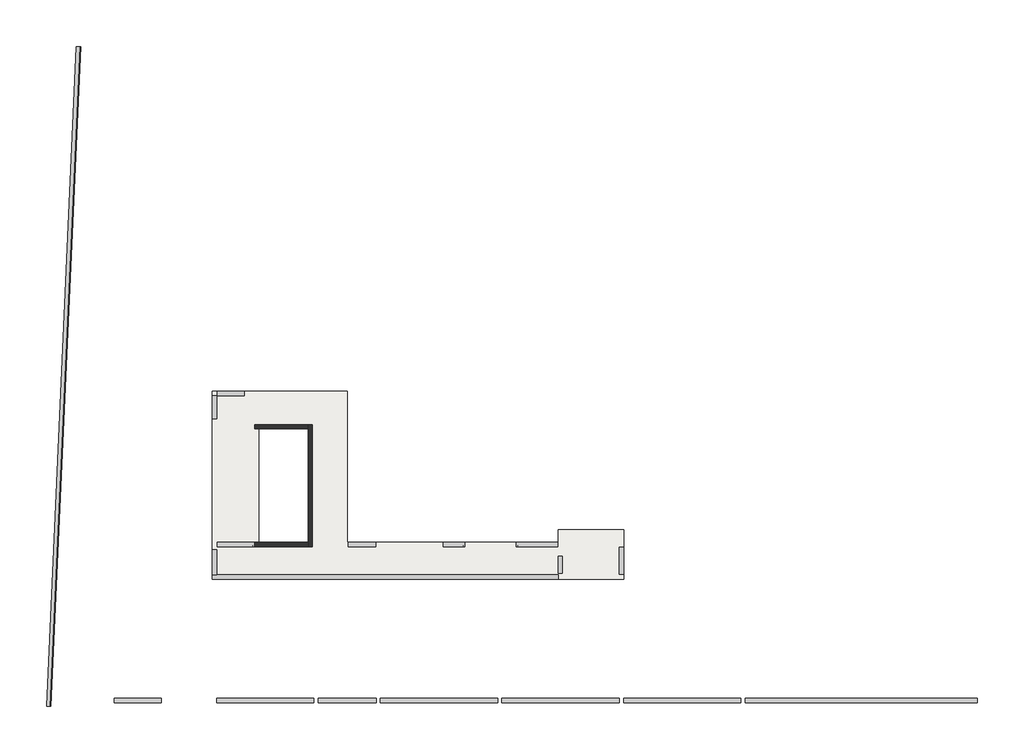
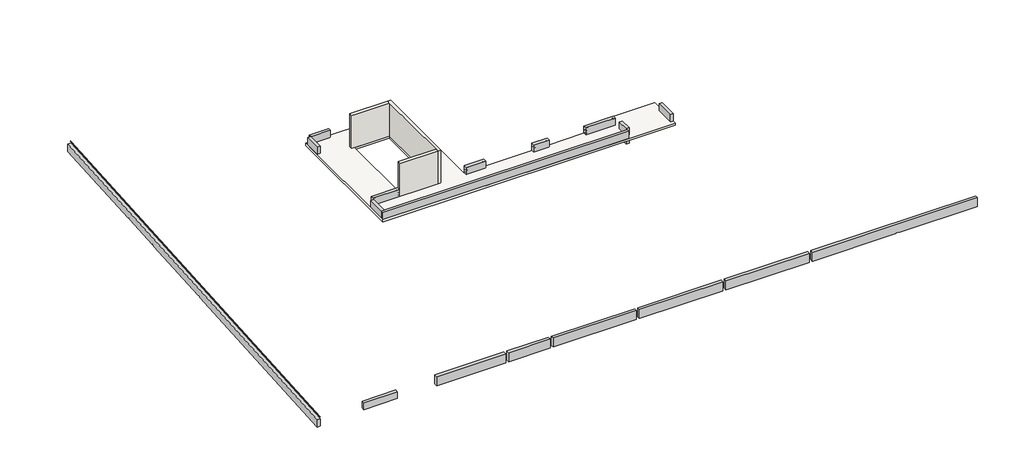
# One storey, part 1 of 2: 13 beams, 3 walls, 1 slab.
"""IFC4 building model written with IfcOpenShell, lengths in millimetres."""

from ifc_helpers import new_model, si_unit, frame, origin, place, context, project, spatial, polyline, outline, extrude, faceted_brep, element, save

model = new_model("IFC4")

# Units and contexts
model_context = context("Model", 3, world=origin())
ifc_project = project(units=[si_unit("LENGTHUNIT", "METRE", prefix="MILLI")], contexts=[model_context])

# Site, building, storey
site = spatial("IfcSite", under=ifc_project)
building = spatial("IfcBuilding", under=site)
storey = spatial("IfcBuildingStorey", under=building, Elevation=25430.0)

# Beams
placement = place(None, origin())
element("IfcBeam", 1, ObjectType="V. 20/108", at=placement, inside=storey, context=model_context, shape_type="SweptSolid", body=[
    extrude(outline(polyline([(-20550.6912908, -12989.0672499), (-20750.6912908, -12989.0672499), (-20750.6912908, -12209.0672499), (-20550.6912908, -12209.0672499), (-20550.6912908, -12989.0672499)])), frame((0.0, 0.0, 25430.0), z_axis=(0.0, 0.0, 1.0), x_axis=(1.0, 0.0, 0.0)), (0.0, 0.0, 1.0), 500.0),
    extrude(outline(polyline([(-20550.6912908, -12989.0672499), (-20750.6912908, -12989.0672499), (-20750.6912908, -12209.0672499), (-20550.6912908, -12209.0672499), (-20550.6912908, -12989.0672499)])), frame((0.0, 0.0, 24850.0), z_axis=(0.0, 0.0, 1.0), x_axis=(1.0, 0.0, 0.0)), (0.0, 0.0, 1.0), 430.0),
])
element("IfcBeam", 2, ObjectType="VI. 20/62.5", at=placement, inside=storey, context=model_context, shape_type="Brep", body=[
    faceted_brep([(-39315.6912908, -19049.0672499, 17300.0), (-39315.6912908, -18849.0672499, 17300.0), (-39315.6912908, -18849.0672499, 17500.0), (-39315.6912908, -18849.0672499, 17774.880048), (-39315.6912908, -19049.0672499, 17782.880048), (-41528.1521519, -19049.0672499, 17782.880048), (-41528.1521519, -19049.0672499, 17300.0), (-41519.0791695, -18849.0672499, 17300.0), (-41519.0791695, -18849.0672499, 17500.0), (-41519.0791695, -18849.0672499, 17774.880048)], [[[0, 1, 2, 3, 4]], [[0, 4, 5, 6]], [[1, 0, 6, 7]], [[3, 2, 1, 7, 8, 9]], [[4, 3, 9, 5]], [[6, 5, 9, 8, 7]]]),
])
element("IfcBeam", 3, ObjectType="VI. 20/62.5", at=placement, inside=storey, context=model_context, shape_type="Brep", body=[
    faceted_brep([(-1125.6912908, -19049.0672499, 17925.0), (-1125.6912908, -19049.0672499, 17300.0), (-1125.6912908, -18849.0672499, 17300.0), (-1125.6912908, -18849.0672499, 17500.0), (-1125.6912908, -18849.0672499, 17925.0), (-11995.6912908, -19049.0672499, 17925.0), (-11995.6912908, -19049.0672499, 17300.0), (-6505.6912908, -19049.0672499, 17300.0), (-6505.6912908, -19049.0672499, 17350.0), (-6305.6912908, -19049.0672499, 17350.0), (-6305.6912908, -19049.0672499, 17300.0), (-6305.6912908, -18849.0672499, 17300.0), (-6305.6912908, -18849.0672499, 17350.0), (-6505.6912908, -18849.0672499, 17350.0), (-6505.6912908, -18849.0672499, 17300.0), (-11995.6912908, -18849.0672499, 17300.0), (-11995.6912908, -18849.0672499, 17500.0), (-11995.6912908, -18849.0672499, 17925.0)], [[[0, 1, 2, 3, 4]], [[1, 0, 5, 6, 7, 8, 9, 10]], [[2, 1, 10, 11]], [[4, 3, 2, 11, 12, 13, 14, 15, 16, 17]], [[0, 4, 17, 5]], [[10, 9, 12, 11]], [[8, 7, 14, 13]], [[6, 5, 17, 16, 15]], [[14, 7, 6, 15]], [[12, 9, 8, 13]]]),
    faceted_brep([(-36735.6912908, -19049.0672499, 17300.0), (-36735.6912908, -19049.0672499, 17925.0), (-36735.6912908, -18849.0672499, 17925.0), (-36735.6912908, -18849.0672499, 17500.0), (-36735.6912908, -18849.0672499, 17300.0), (-32185.6912908, -19049.0672499, 17300.0), (-32185.6912908, -18849.0672499, 17300.0), (-32185.6912908, -18849.0672499, 17500.0), (-32185.6912908, -18849.0672499, 17925.0), (-32185.6912908, -19049.0672499, 17925.0)], [[[0, 1, 2, 3, 4]], [[5, 6, 7, 8, 9]], [[0, 4, 6, 5]], [[1, 0, 5, 9]], [[4, 3, 2, 8, 7, 6]], [[2, 1, 9, 8]]]),
    faceted_brep([(-17685.6912908, -19049.0672499, 17300.0), (-17685.6912908, -19049.0672499, 17925.0), (-17685.6912908, -18849.0672499, 17925.0), (-17685.6912908, -18849.0672499, 17500.0), (-17685.6912908, -18849.0672499, 17300.0), (-12195.6912908, -19049.0672499, 17925.0), (-12195.6912908, -19049.0672499, 17300.0), (-12195.6912908, -18849.0672499, 17300.0), (-12195.6912908, -18849.0672499, 17500.0), (-12195.6912908, -18849.0672499, 17925.0)], [[[0, 1, 2, 3, 4]], [[5, 6, 7, 8, 9]], [[0, 4, 7, 6]], [[1, 0, 6, 5]], [[4, 3, 2, 9, 8, 7]], [[2, 1, 5, 9]]]),
    faceted_brep([(-17885.6912908, -19049.0672499, 17925.0), (-17885.6912908, -19049.0672499, 17300.0), (-17885.6912908, -18849.0672499, 17300.0), (-17885.6912908, -18849.0672499, 17500.0), (-17885.6912908, -18849.0672499, 17925.0), (-23375.6912908, -18849.0672499, 17300.0), (-23375.6912908, -19049.0672499, 17300.0), (-23375.6912908, -19049.0672499, 17925.0), (-23375.6912908, -18849.0672499, 17925.0), (-23375.6912908, -18849.0672499, 17500.0)], [[[0, 1, 2, 3, 4]], [[5, 6, 7, 8, 9]], [[2, 1, 6, 5]], [[1, 0, 7, 6]], [[3, 2, 5, 9, 8, 4]], [[0, 4, 8, 7]]]),
    faceted_brep([(-23575.6912908, -19049.0672499, 17300.0), (-23575.6912908, -18849.0672499, 17300.0), (-23575.6912908, -18849.0672499, 17500.0), (-23575.6912908, -18849.0672499, 17925.0), (-23575.6912908, -19049.0672499, 17925.0), (-29065.6912908, -18849.0672499, 17300.0), (-29065.6912908, -19049.0672499, 17300.0), (-29065.6912908, -19049.0672499, 17925.0), (-29065.6912908, -18849.0672499, 17925.0), (-29065.6912908, -18849.0672499, 17500.0)], [[[0, 1, 2, 3, 4]], [[5, 6, 7, 8, 9]], [[1, 0, 6, 5]], [[0, 4, 7, 6]], [[2, 1, 5, 9, 8, 3]], [[4, 3, 8, 7]]]),
    faceted_brep([(-29265.6912908, -19049.0672499, 17300.0), (-29265.6912908, -18849.0672499, 17300.0), (-29265.6912908, -18849.0672499, 17500.0), (-29265.6912908, -18849.0672499, 17925.0), (-29265.6912908, -19049.0672499, 17925.0), (-31985.6912908, -18849.0672499, 17300.0), (-31985.6912908, -19049.0672499, 17300.0), (-31985.6912908, -19049.0672499, 17925.0), (-31985.6912908, -18849.0672499, 17925.0), (-31985.6912908, -18849.0672499, 17500.0)], [[[0, 1, 2, 3, 4]], [[5, 6, 7, 8, 9]], [[1, 0, 6, 5]], [[0, 4, 7, 6]], [[2, 1, 5, 9, 8, 3]], [[4, 3, 8, 7]]]),
])
element("IfcBeam", 4, ObjectType="VI. 20/64.5", at=placement, inside=storey, context=model_context, shape_type="Brep", body=[
    faceted_brep([(-43088.4832977, 11650.9327501, 17793.8824341), (-44488.8981404, -19219.0672499, 17793.8824341), (-44488.8981404, -19219.0672499, 17500.0), (-44488.8981404, -19219.0672499, 17300.0), (-43829.7459647, -4689.0672499, 17300.0), (-43829.7459647, -4689.0672499, 17350.0), (-43820.6729822, -4489.0672499, 17350.0), (-43820.6729822, -4489.0672499, 17300.0), (-43571.6196137, 1000.9327501, 17300.0), (-43571.6196137, 1000.9327501, 17350.0), (-43562.5466312, 1200.9327501, 17350.0), (-43562.5466312, 1200.9327501, 17300.0), (-43435.5248768, 4000.9327501, 17300.0), (-43435.5248768, 4000.9327501, 17350.0), (-43426.4518943, 4200.9327501, 17350.0), (-43426.4518943, 4200.9327501, 17300.0), (-43088.4832977, 11650.9327501, 17300.0), (-43088.4832977, 11650.9327501, 17500.0), (-43288.6889895, 11650.9327501, 17300.0), (-43626.6575861, 4200.9327501, 17300.0), (-44689.1038321, -19219.0672499, 17801.8024341), (-43288.6889895, 11650.9327501, 17801.8024341), (-43626.6575861, 4200.9327501, 17350.0), (-43635.7305686, 4000.9327501, 17350.0), (-43635.7305686, 4000.9327501, 17300.0), (-43762.752323, 1200.9327501, 17300.0), (-43762.752323, 1200.9327501, 17350.0), (-43771.8253055, 1000.9327501, 17350.0), (-43771.8253055, 1000.9327501, 17300.0), (-44020.878674, -4489.0672499, 17300.0), (-44020.878674, -4489.0672499, 17350.0), (-44029.9516564, -4689.0672499, 17350.0), (-44029.9516564, -4689.0672499, 17300.0), (-44689.1038321, -19219.0672499, 17300.0)], [[[0, 1, 2, 3, 4, 5, 6, 7, 8, 9, 10, 11, 12, 13, 14, 15, 16, 17]], [[18, 16, 15, 19]], [[20, 21, 18, 19, 22, 23, 24, 25, 26, 27, 28, 29, 30, 31, 32, 33]], [[1, 0, 21, 20]], [[16, 18, 21, 0, 17]], [[33, 3, 2, 1, 20]], [[5, 4, 32, 31]], [[7, 6, 30, 29]], [[9, 8, 28, 27]], [[11, 10, 26, 25]], [[10, 9, 27, 26]], [[14, 22, 19, 15]], [[23, 13, 12, 24]], [[11, 25, 24, 12]], [[8, 7, 29, 28]], [[3, 33, 32, 4]], [[22, 14, 13, 23]], [[5, 31, 30, 6]]]),
    faceted_brep([(-43088.4832977, 11650.9327501, 17945.0), (-43113.7617942, 11650.9327501, 17945.0), (-44514.1766368, -19219.0672499, 17945.0), (-44488.8981404, -19219.0672499, 17945.0), (-43088.4832977, 11650.9327501, 17944.0), (-44488.8981404, -19219.0672499, 17944.0)], [[[0, 1, 2, 3]], [[4, 5, 2, 1]], [[1, 0, 4]], [[5, 4, 0, 3]], [[5, 3, 2]]]),
])
element("IfcBeam", 5, ObjectType="VI. 20/65", at=placement, inside=storey, context=model_context, shape_type="Brep", body=[
    faceted_brep([(-20750.6912908, -13079.0672499, 25930.0), (-20750.6912908, -13279.0672499, 25930.0), (-20750.6912908, -13279.0672499, 25430.0), (-20750.6912908, -13079.0672499, 25430.0), (-36935.6912908, -13079.0672499, 25930.0), (-36735.6912908, -13079.0672499, 25930.0), (-36735.6912908, -13079.0672499, 25430.0), (-36935.6912908, -13079.0672499, 25430.0), (-36935.6912908, -13279.0672499, 25930.0), (-36935.6912908, -13279.0672499, 25430.0)], [[[0, 1, 2, 3]], [[4, 5, 0, 3, 6, 7]], [[1, 8, 9, 2]], [[1, 0, 5, 4, 8]], [[3, 2, 9, 7, 6]], [[8, 4, 7, 9]]]),
])
element("IfcBeam", 6, ObjectType="VI. 20/65", at=placement, inside=storey, context=model_context, shape_type="SweptSolid", body=[
    extrude(outline(polyline([(-36935.6912908, -11889.0672499), (-36735.6912908, -11889.0672499), (-36735.6912908, -13079.0672499), (-36935.6912908, -13079.0672499), (-36935.6912908, -11889.0672499)])), frame((0.0, 0.0, 25430.0), z_axis=(0.0, 0.0, 1.0), x_axis=(1.0, 0.0, 0.0)), (0.0, 0.0, 1.0), 500.0),
])
element("IfcBeam", 7, ObjectType="VI. 20/65", at=placement, inside=storey, context=model_context, shape_type="SweptSolid", body=[
    extrude(outline(polyline([(-29290.6912908, -11559.0672499), (-29290.6912908, -11759.0672499), (-30580.6912908, -11759.0672499), (-30580.6912908, -11559.0672499), (-29290.6912908, -11559.0672499)])), frame((0.0, 0.0, 25430.0), z_axis=(0.0, 0.0, 1.0), x_axis=(1.0, 0.0, 0.0)), (0.0, 0.0, 1.0), 500.0),
])
element("IfcBeam", 8, ObjectType="VI. 20/65", at=placement, inside=storey, context=model_context, shape_type="SweptSolid", body=[
    extrude(outline(polyline([(-20775.6912908, -11559.0672499), (-20775.6912908, -11759.0672499), (-22710.6912908, -11759.0672499), (-22710.6912908, -11559.0672499), (-20775.6912908, -11559.0672499)])), frame((0.0, 0.0, 25430.0), z_axis=(0.0, 0.0, 1.0), x_axis=(1.0, 0.0, 0.0)), (0.0, 0.0, 1.0), 500.0),
])
element("IfcBeam", 9, ObjectType="VI. 20/65", at=placement, inside=storey, context=model_context, shape_type="SweptSolid", body=[
    extrude(outline(polyline([(-25120.6912908, -11559.0672499), (-25120.6912908, -11759.0672499), (-26130.6912908, -11759.0672499), (-26130.6912908, -11559.0672499), (-25120.6912908, -11559.0672499)])), frame((0.0, 0.0, 25430.0), z_axis=(0.0, 0.0, 1.0), x_axis=(1.0, 0.0, 0.0)), (0.0, 0.0, 1.0), 500.0),
])
element("IfcBeam", 10, ObjectType="VI. 20/65", at=placement, inside=storey, context=model_context, shape_type="SweptSolid", body=[
    extrude(outline(polyline([(-35430.6912908, -4489.0672499), (-35430.6912908, -4689.0672499), (-36710.6912908, -4689.0672499), (-36710.6912908, -4489.0672499), (-35430.6912908, -4489.0672499)])), frame((0.0, 0.0, 25430.0), z_axis=(0.0, 0.0, 1.0), x_axis=(1.0, 0.0, 0.0)), (0.0, 0.0, 1.0), 500.0),
])
element("IfcBeam", 11, ObjectType="VI. 20/65", at=placement, inside=storey, context=model_context, shape_type="SweptSolid", body=[
    extrude(outline(polyline([(-34970.6912908, -11559.0672499), (-34970.6912908, -11759.0672499), (-36710.6912908, -11759.0672499), (-36710.6912908, -11559.0672499), (-34970.6912908, -11559.0672499)])), frame((0.0, 0.0, 25430.0), z_axis=(0.0, 0.0, 1.0), x_axis=(1.0, 0.0, 0.0)), (0.0, 0.0, 1.0), 500.0),
])
element("IfcBeam", 12, ObjectType="VI. 20/65", at=placement, inside=storey, context=model_context, shape_type="SweptSolid", body=[
    extrude(outline(polyline([(-17685.6912908, -13054.0672499), (-17885.6912908, -13054.0672499), (-17885.6912908, -11784.0672499), (-17685.6912908, -11784.0672499), (-17685.6912908, -13054.0672499)])), frame((0.0, 0.0, 25430.0), z_axis=(0.0, 0.0, 1.0), x_axis=(1.0, 0.0, 0.0)), (0.0, 0.0, 1.0), 500.0),
])
element("IfcBeam", 13, ObjectType="VI. 20/65", at=placement, inside=storey, context=model_context, shape_type="SweptSolid", body=[
    extrude(outline(polyline([(-36735.6912908, -5774.0672499), (-36935.6912908, -5774.0672499), (-36935.6912908, -4689.0672499), (-36735.6912908, -4689.0672499), (-36735.6912908, -5774.0672499)])), frame((0.0, 0.0, 25430.0), z_axis=(0.0, 0.0, 1.0), x_axis=(1.0, 0.0, 0.0)), (0.0, 0.0, 1.0), 500.0),
])

# Slab
element("IfcSlab", 14, ObjectType="LHA15", at=placement, inside=storey, context=model_context, shape_type="Brep", body=[
    faceted_brep([(-32445.6912908, -6244.0672499, 25280.0), (-32445.6912908, -6244.0672499, 25430.0), (-34745.6912908, -6244.0672499, 25430.0), (-34745.6912908, -6244.0672499, 25280.0), (-34745.6912908, -11559.0672499, 25430.0), (-34745.6912908, -11559.0672499, 25280.0), (-32445.6912908, -11559.0672499, 25430.0), (-32445.6912908, -11559.0672499, 25280.0), (-36935.6912908, -13279.0672499, 25280.0), (-36935.6912908, -13279.0672499, 25430.0), (-36935.6912908, -13079.0672499, 25430.0), (-36935.6912908, -11889.0672499, 25430.0), (-36935.6912908, -5774.0672499, 25430.0), (-36935.6912908, -4689.0672499, 25430.0), (-36935.6912908, -4489.0672499, 25430.0), (-36935.6912908, -4489.0672499, 25280.0), (-30605.6912908, -4489.0672499, 25280.0), (-30605.6912908, -4489.0672499, 25430.0), (-30605.6912908, -11559.0672499, 25430.0), (-30605.6912908, -11559.0672499, 25280.0), (-30580.6912908, -11559.0672499, 25430.0), (-29290.6912908, -11559.0672499, 25430.0), (-26130.6912908, -11559.0672499, 25430.0), (-25120.6912908, -11559.0672499, 25430.0), (-22710.6912908, -11559.0672499, 25430.0), (-20775.6912908, -11559.0672499, 25430.0), (-20750.6912908, -11559.0672499, 25430.0), (-20750.6912908, -11559.0672499, 25280.0), (-20750.6912908, -10959.0672499, 25430.0), (-20750.6912908, -10959.0672499, 25280.0), (-17685.6912908, -10959.0672499, 25430.0), (-17685.6912908, -10959.0672499, 25280.0), (-17685.6912908, -11784.0672499, 25430.0), (-17685.6912908, -13054.0672499, 25430.0), (-17685.6912908, -13279.0672499, 25430.0), (-17685.6912908, -13279.0672499, 25280.0), (-20750.6912908, -13279.0672499, 25430.0), (-35430.6912908, -4489.0672499, 25430.0), (-36710.6912908, -4489.0672499, 25430.0)], [[[0, 1, 2, 3]], [[3, 2, 4, 5]], [[5, 4, 6, 7]], [[7, 6, 1, 0]], [[8, 9, 10, 11, 12, 13, 14, 15]], [[16, 17, 18, 19]], [[19, 18, 20, 21, 22, 23, 24, 25, 26, 27]], [[27, 26, 28, 29]], [[29, 28, 30, 31]], [[31, 30, 32, 33, 34, 35]], [[35, 34, 36, 9, 8]], [[34, 33, 32, 30, 28, 26, 25, 24, 23, 22, 21, 20, 18, 17, 37, 38, 14, 13, 12, 11, 10, 9, 36], [6, 4, 2, 1]], [[35, 8, 15, 16, 19, 27, 29, 31], [7, 0, 3, 5]], [[15, 14, 38, 37, 17, 16]]]),
])

# Walls
element("IfcWall", 15, ObjectType="MHA20", at=placement, inside=storey, context=model_context, shape_type="Brep", body=[
    faceted_brep([(-32245.6912908, -11759.0672499, 27730.0), (-32245.6912908, -11759.0672499, 25930.0), (-32245.6912908, -11759.0672499, 25430.0), (-32245.6912908, -11559.0672499, 25430.0), (-32245.6912908, -6044.0672499, 25430.0), (-32245.6912908, -6044.0672499, 27730.0), (-32445.6912908, -11759.0672499, 25430.0), (-32445.6912908, -11759.0672499, 27730.0), (-32445.6912908, -11559.0672499, 27730.0), (-32445.6912908, -6244.0672499, 27730.0), (-32445.6912908, -6044.0672499, 27730.0), (-32445.6912908, -6044.0672499, 25430.0), (-32445.6912908, -6244.0672499, 25430.0), (-32445.6912908, -11559.0672499, 25430.0)], [[[0, 1, 2, 3, 4, 5]], [[6, 7, 8, 9, 10, 11, 12, 13]], [[4, 3, 2, 6, 13, 12, 11]], [[0, 5, 10, 9, 8, 7]], [[5, 4, 11, 10]], [[0, 7, 6, 2, 1]]]),
])
element("IfcWall", 16, ObjectType="MHA20", at=placement, inside=storey, context=model_context, shape_type="Brep", body=[
    faceted_brep([(-34945.6912908, -11759.0672499, 25430.0), (-32445.6912908, -11759.0672499, 25430.0), (-32445.6912908, -11759.0672499, 27730.0), (-34945.6912908, -11759.0672499, 27730.0), (-34945.6912908, -11559.0672499, 25430.0), (-34945.6912908, -11559.0672499, 27730.0), (-34745.6912908, -11559.0672499, 27730.0), (-32445.6912908, -11559.0672499, 27730.0), (-32445.6912908, -11559.0672499, 25430.0), (-34745.6912908, -11559.0672499, 25430.0)], [[[0, 1, 2, 3]], [[4, 5, 6, 7, 8, 9]], [[1, 0, 4, 9, 8]], [[3, 2, 7, 6, 5]], [[0, 3, 5, 4]], [[2, 1, 8, 7]]]),
])
element("IfcWall", 17, ObjectType="MHA20", at=placement, inside=storey, context=model_context, shape_type="Brep", body=[
    faceted_brep([(-34945.6912908, -6244.0672499, 25430.0), (-34745.6912908, -6244.0672499, 25430.0), (-32445.6912908, -6244.0672499, 25430.0), (-32445.6912908, -6244.0672499, 27730.0), (-34745.6912908, -6244.0672499, 27730.0), (-34945.6912908, -6244.0672499, 27730.0), (-34945.6912908, -6044.0672499, 25430.0), (-34945.6912908, -6044.0672499, 27730.0), (-32445.6912908, -6044.0672499, 27730.0), (-32445.6912908, -6044.0672499, 25430.0)], [[[0, 1, 2, 3, 4, 5]], [[6, 7, 8, 9]], [[2, 1, 0, 6, 9]], [[5, 4, 3, 8, 7]], [[0, 5, 7, 6]], [[3, 2, 9, 8]]]),
])

save(model, "model.ifc")
